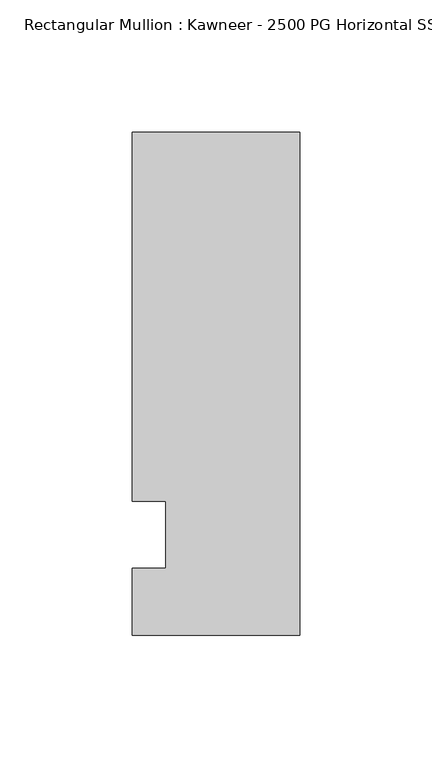
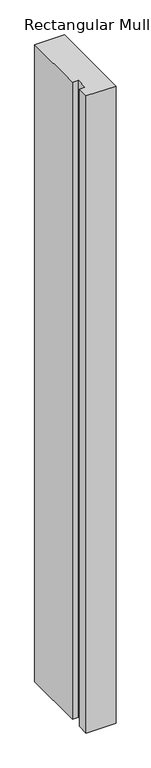
"""IFC4 building model written with IfcOpenShell, lengths in millimetres: member geometry, Rectangular Mullion : Kawneer - 2500 PG Horizontal SSG - Mullion_Sill."""

from ifc_helpers import new_model, si_unit, frame, origin, place, context, project, spatial, polyline, outline, extrude, source, transform, mapped, element, save


def rectangular_mullion_kawneer_2500_pg_horizontal_ssg_mullion_7bcb7465(model_context):
    return source(origin(), model_context, "Body", "SweptSolid", [
        extrude(outline(polyline([(0.0, -95.25), (-63.5, -95.25), (-63.5, -69.8500171), (-50.8, -69.8500171), (-50.8, -44.4499829), (-63.5, -44.4499829), (-63.5, 95.25), (0.0, 95.25), (0.0, -95.25)])), frame((0.0, 0.0, -1438.8050876), z_axis=(0.0, 0.0, 1.0), x_axis=(1.0, 0.0, 0.0)), (0.0, 0.0, 1.0), 1438.8050876),
    ])


if __name__ == "__main__":
    model = new_model("IFC4")
    model_context = context("Model", 3, world=origin())
    ifc_project = project(units=[si_unit("LENGTHUNIT", "METRE", prefix="MILLI")], contexts=[model_context])
    site = spatial("IfcSite", under=ifc_project)
    building = spatial("IfcBuilding", under=site)
    placement = place(None, origin())
    rectangular_mullion_kawneer_2500_pg_horizontal_ssg_mullion_shape = rectangular_mullion_kawneer_2500_pg_horizontal_ssg_mullion_7bcb7465(model_context)
    element("IfcMember", 1, ObjectType="Rectangular Mullion : Kawneer - 2500 PG Horizontal SSG - Mullion_Sill", at=placement, inside=building, context=model_context, shape_type="MappedRepresentation", body=[
        mapped(rectangular_mullion_kawneer_2500_pg_horizontal_ssg_mullion_shape, transform((0.0, 0.0, 0.0), x_axis=(1.0, 0.0, 0.0), y_axis=(0.0, 1.0, 0.0), z_axis=(0.0, 0.0, 1.0))),
    ])
    save(model, "model.ifc")
